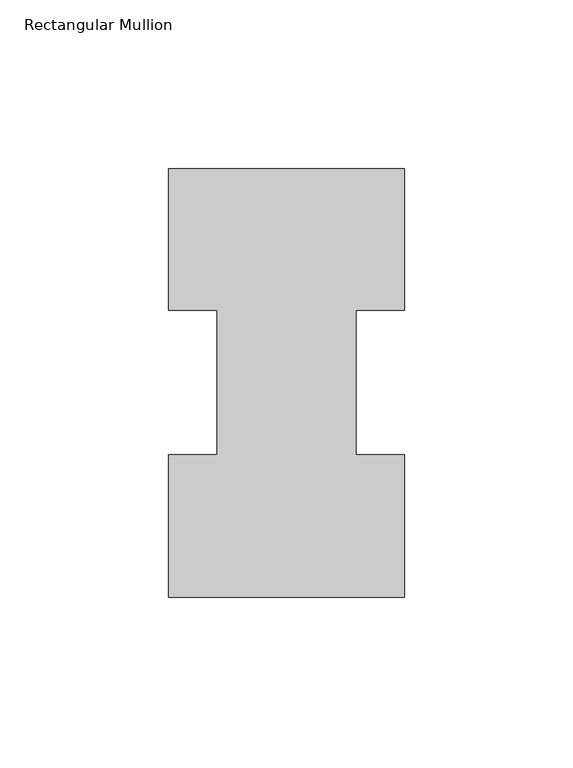
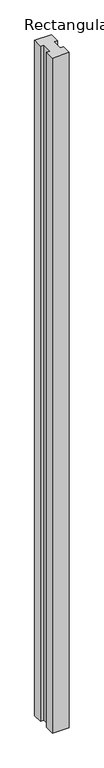
"""IFC4 building model written with IfcOpenShell, lengths in millimetres: member geometry, Rectangular Mullion."""

from ifc_helpers import new_model, si_unit, frame, origin, place, context, project, spatial, polyline, outline, extrude, source, transform, mapped, element, save


def rectangular_mullion_07e48ba7(model_context):
    return source(origin(), model_context, "Body", "SweptSolid", [
        extrude(outline(polyline([(34.925, 127.0142875), (34.925, 85.1296875), (20.6385851, 85.1296875), (20.6385851, 42.2798875), (34.925, 42.2798875), (34.925, 0.0142875), (-34.925, 0.0142875), (-34.925, 42.2798875), (-20.6385851, 42.2798875), (-20.6385851, 85.1296875), (-34.925, 85.1296875), (-34.925, 127.0142875), (34.925, 127.0142875)])), frame((0.0, 0.0, -2959.1), z_axis=(0.0, 0.0, 1.0), x_axis=(1.0, 0.0, 0.0)), (0.0, 0.0, 1.0), 2959.1),
    ])


if __name__ == "__main__":
    model = new_model("IFC4")
    model_context = context("Model", 3, world=origin())
    ifc_project = project(units=[si_unit("LENGTHUNIT", "METRE", prefix="MILLI")], contexts=[model_context])
    site = spatial("IfcSite", under=ifc_project)
    building = spatial("IfcBuilding", under=site)
    placement = place(None, origin())
    rectangular_mullion_shape = rectangular_mullion_07e48ba7(model_context)
    element("IfcMember", 1, ObjectType="Rectangular Mullion", at=placement, inside=building, context=model_context, shape_type="MappedRepresentation", body=[
        mapped(rectangular_mullion_shape, transform((0.0, 0.0, 0.0), x_axis=(1.0, 0.0, 0.0), y_axis=(0.0, 1.0, 0.0), z_axis=(0.0, 0.0, 1.0))),
    ])
    save(model, "model.ifc")
